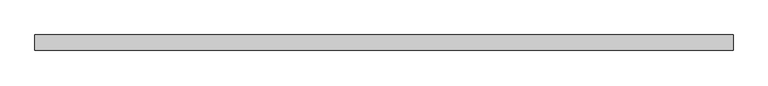
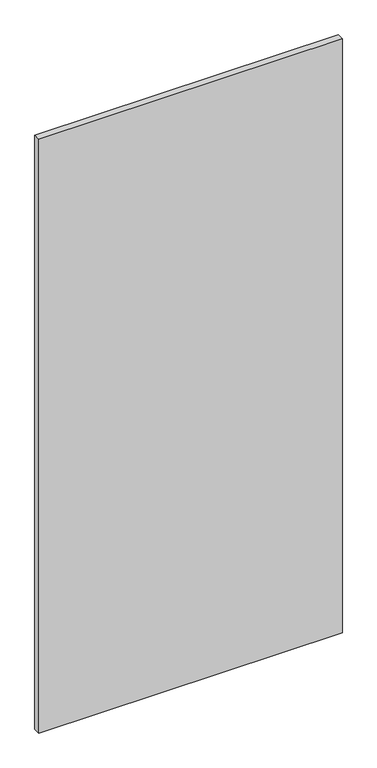
"""IFC4 building model written with IfcOpenShell, lengths in millimetres: plate geometry."""

from ifc_helpers import new_model, si_unit, origin, origin_with_axes, place, context, project, spatial, polyline, outline, extrude, source, transform, mapped, element, save


def plate_4f964aca(model_context):
    return source(origin(), model_context, "Body", "SweptSolid", [
        extrude(outline(polyline([(562.5090002, 24.5), (-562.5090002, 24.5), (-562.5090002, 49.5), (562.5090002, 49.5), (562.5090002, 24.5)])), origin_with_axes(), (0.0, 0.0, 1.0), 2325.0),
    ])


if __name__ == "__main__":
    model = new_model("IFC4")
    model_context = context("Model", 3, world=origin())
    ifc_project = project(units=[si_unit("LENGTHUNIT", "METRE", prefix="MILLI")], contexts=[model_context])
    site = spatial("IfcSite", under=ifc_project)
    building = spatial("IfcBuilding", under=site)
    placement = place(None, origin())
    plate_shape = plate_4f964aca(model_context)
    element("IfcPlate", 1, at=placement, inside=building, context=model_context, shape_type="MappedRepresentation", body=[
        mapped(plate_shape, transform((0.0, 0.0, 0.0), x_axis=(1.0, 0.0, 0.0), y_axis=(0.0, 1.0, 0.0), z_axis=(0.0, 0.0, 1.0))),
    ])
    save(model, "model.ifc")
